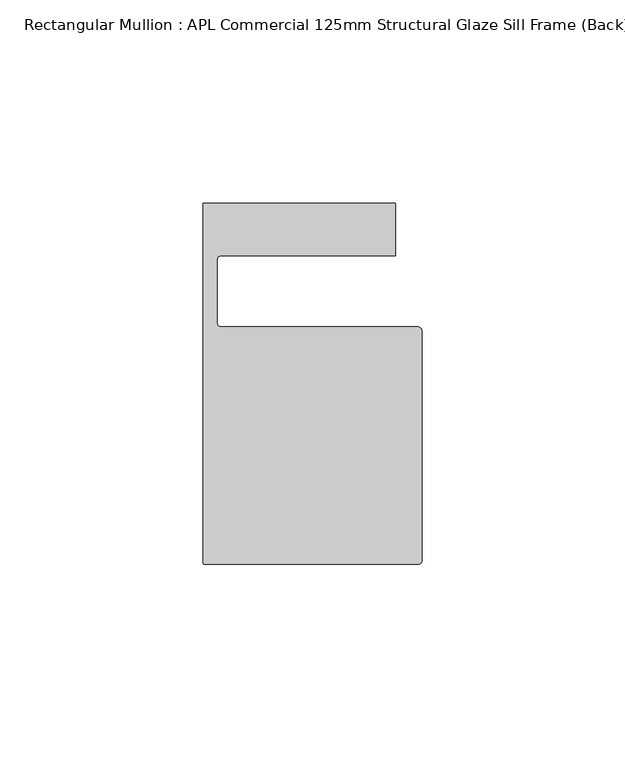
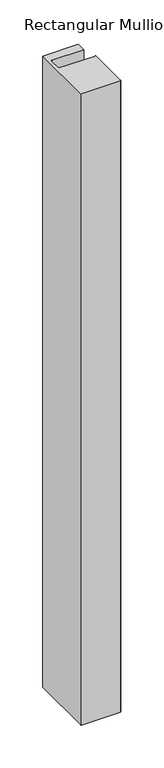
"""IFC4 building model written with IfcOpenShell, lengths in millimetres: member geometry, Rectangular Mullion : APL Commercial 125mm Structural Glaze Sill Frame (Back)."""

import ifcopenshell
import ifcopenshell.guid

model = None  # the IFC model being written
_history = None  # IfcOwnerHistory: only IFC2X3 demands one
_inside = {}  # id of a spatial element -> (the spatial element, [elements in it])
_under = {}  # id of a project, library or spatial element -> (it, [spatial elements below it])
_declared = {}  # id of a project -> (the project, [libraries it declares])
_typed = {}  # id of a type object -> (the type object, [elements of that type])
_made_of = {}  # id of a material, layer set ... -> (it, [elements and type objects made of it])


def new_model(schema):
    """Start an empty IFC model of exactly this schema.

    Asked for "IFC4X3", IfcOpenShell would pick the latest addendum, in which some entities
    have other attributes; the version numbers below select the first issue.
    IFC2X3 requires an IfcOwnerHistory on every rooted entity: one is made here for all.
    """
    global model, _history
    if schema == "IFC4X3":
        model = ifcopenshell.file(schema_version=(4, 3, 0, 0))
    else:
        model = ifcopenshell.file(schema=schema)
    _inside.clear()
    _under.clear()
    _declared.clear()
    _typed.clear()
    _made_of.clear()
    _history = None
    if model.schema == "IFC2X3":
        org = make("IfcOrganization", Name="unknown")
        user = make(
            "IfcPersonAndOrganization",
            ThePerson=make("IfcPerson", FamilyName="unknown"),
            TheOrganization=org,
        )
        app = make(
            "IfcApplication",
            ApplicationDeveloper=org,
            Version="unknown",
            ApplicationFullName="unknown",
            ApplicationIdentifier="unknown",
        )
        _history = make(
            "IfcOwnerHistory",
            OwningUser=user,
            OwningApplication=app,
            ChangeAction="ADDED",
            CreationDate=0,
        )
    return model


def make(cls, **values):
    """One entity of the class cls with the attributes given. An attribute that is None is left unset."""
    return model.create_entity(
        cls, **{name: value for name, value in values.items() if value is not None}
    )


def rooted(cls, **values):
    """An entity with a GlobalId (a new one), such as an element, a storey or a relation."""
    return make(cls, GlobalId=ifcopenshell.guid.new(), OwnerHistory=_history, **values)


def si_unit(unit_type, name, prefix=None):
    """IfcSIUnit, for example si_unit("LENGTHUNIT", "METRE", prefix="MILLI")."""
    return make("IfcSIUnit", UnitType=unit_type, Prefix=prefix, Name=name)


def assignment(units):
    """IfcUnitAssignment: the units of a project."""
    return None if units is None else make("IfcUnitAssignment", Units=units)


def point(xyz):
    """IfcCartesianPoint."""
    return None if xyz is None else make("IfcCartesianPoint", Coordinates=xyz)


def direction(xyz):
    """IfcDirection."""
    return None if xyz is None else make("IfcDirection", DirectionRatios=xyz)


def frame(location, z_axis=None, x_axis=None):
    """IfcAxis2Placement3D, a coordinate frame: its origin and axes. An axis left out is left unset."""
    return make(
        "IfcAxis2Placement3D",
        Location=point(location),
        Axis=direction(z_axis),
        RefDirection=direction(x_axis),
    )


def origin():
    """The frame at (0, 0, 0) with its axes left unset."""
    return frame((0.0, 0.0, 0.0))


def place(relative_to, where):
    """IfcLocalPlacement: puts the frame where relative to a parent placement (None: the world)."""
    return make(
        "IfcLocalPlacement", PlacementRelTo=relative_to, RelativePlacement=where
    )


def context(
    kind, dimensions, precision=None, world=None, true_north=None, identifier=None
):
    """IfcGeometricRepresentationContext, for example the 3D "Model" context."""
    return make(
        "IfcGeometricRepresentationContext",
        ContextIdentifier=identifier,
        ContextType=kind,
        CoordinateSpaceDimension=dimensions,
        Precision=precision,
        WorldCoordinateSystem=world,
        TrueNorth=true_north,
    )


def project(units=None, contexts=None):
    """IfcProject with its units and contexts."""
    return rooted(
        "IfcProject",
        Name="project",
        RepresentationContexts=contexts,
        UnitsInContext=assignment(units),
    )


def spatial(cls, under=None, at=None, **own):
    """A site, building, storey or space (cls), placed at a placement, below another one or the project."""
    s = rooted(cls, ObjectPlacement=at, **own)
    if under is not None:
        _under.setdefault(under.id(), (under, []))[1].append(s)
    return s


def polyline(points):
    """IfcPolyline through the points."""
    return make("IfcPolyline", Points=[point(p) for p in points])


def circle_curve(where, radius):
    """IfcCircle in the frame where."""
    return make("IfcCircle", Position=where, Radius=radius)


def shape(context_of_items, identifier, shape_type, items):
    """IfcShapeRepresentation: the items that make up one representation, for example the "Body"."""
    return make(
        "IfcShapeRepresentation",
        ContextOfItems=context_of_items,
        RepresentationIdentifier=identifier,
        RepresentationType=shape_type,
        Items=items,
    )


def source(mapping_origin, context_of_items, identifier, shape_type, items):
    """IfcRepresentationMap: a shape defined once, which mapped items show again and again."""
    return make(
        "IfcRepresentationMap",
        MappingOrigin=mapping_origin,
        MappedRepresentation=shape(context_of_items, identifier, shape_type, items),
    )


def transform(
    local_origin,
    x_axis=None,
    y_axis=None,
    z_axis=None,
    scale=None,
    scale2=None,
    scale3=None,
    uniform=True,
):
    """IfcCartesianTransformationOperator3D, or its non-uniform kind. x_axis, y_axis, z_axis: its Axis1, 2, 3."""
    if uniform:
        return make(
            "IfcCartesianTransformationOperator3D",
            Axis1=direction(x_axis),
            Axis2=direction(y_axis),
            LocalOrigin=point(local_origin),
            Scale=scale,
            Axis3=direction(z_axis),
        )
    return make(
        "IfcCartesianTransformationOperator3DnonUniform",
        Axis1=direction(x_axis),
        Axis2=direction(y_axis),
        LocalOrigin=point(local_origin),
        Scale=scale,
        Axis3=direction(z_axis),
        Scale2=scale2,
        Scale3=scale3,
    )


def mapped(mapping_source, mapping_target):
    """IfcMappedItem: shows the shape of a source again, moved by a transform."""
    return make(
        "IfcMappedItem", MappingSource=mapping_source, MappingTarget=mapping_target
    )


def made_of(thing, what):
    """Note that an element or type object is made of a material, layer set ...; save() writes the relation."""
    if what is not None:
        _made_of.setdefault(what.id(), (what, []))[1].append(thing)
    return thing


def element(
    cls,
    number,
    at=None,
    inside=None,
    cuts=None,
    type_object=None,
    material=None,
    context=None,
    identifier="Body",
    shape_type=None,
    held_by="IfcProductDefinitionShape",
    body=None,
    shapes=None,
    **own,
):
    """One element of the class cls, such as IfcWall. Its Tag is "e" and its number.

    at: its placement. inside: the storey or other place that contains it. cuts: it is an
    opening in that element (IfcRelVoidsElement). A single representation is given by context,
    identifier, shape_type and body (its items); several are given by shapes. held_by: the class
    of the entity that holds the representations. save() writes the other relations.
    """
    e = rooted(cls, Tag="e%d" % number, ObjectPlacement=at, **own)
    if body is not None:
        shapes = [shape(context, identifier, shape_type, body)]
    if shapes is not None:
        e.Representation = make(held_by, Representations=shapes)
    if inside is not None:
        _inside.setdefault(inside.id(), (inside, []))[1].append(e)
    if cuts is not None:
        rooted(
            "IfcRelVoidsElement", RelatingBuildingElement=cuts, RelatedOpeningElement=e
        )
    if type_object is not None:
        _typed.setdefault(type_object.id(), (type_object, []))[1].append(e)
    return made_of(e, material)


def aggregate(whole, parts):
    """IfcRelAggregates: a whole, such as a stair, and the parts it consists of."""
    return rooted("IfcRelAggregates", RelatingObject=whole, RelatedObjects=parts)


def save(model, path):
    """Write the relations noted so far, then the file.

    IfcRelAggregates (storeys below a building ...), IfcRelContainedInSpatialStructure (elements
    in a storey), IfcRelDefinesByType, IfcRelAssociatesMaterial and IfcRelDeclares: one each for
    every whole, place, type object, material and project.
    """
    for whole, parts in _under.values():
        aggregate(whole, parts)
    for where, things in _inside.values():
        rooted(
            "IfcRelContainedInSpatialStructure",
            RelatedElements=things,
            RelatingStructure=where,
        )
    for kind, things in _typed.values():
        rooted("IfcRelDefinesByType", RelatedObjects=things, RelatingType=kind)
    for what, things in _made_of.values():
        rooted("IfcRelAssociatesMaterial", RelatedObjects=things, RelatingMaterial=what)
    for by, libraries in _declared.values():
        rooted("IfcRelDeclares", RelatingContext=by, RelatedDefinitions=libraries)
    model.write(path)


def plane_surface(at):
    """IfcPlane: the flat surface through the origin of the frame at, square to its z axis."""
    return make("IfcPlane", Position=at)


def cylinder_surface(at, radius):
    """IfcCylindricalSurface: all points at the distance radius from the z axis of the frame at."""
    return make("IfcCylindricalSurface", Position=at, Radius=radius)


def revolved_surface(curve, axis_point, axis_direction):
    """IfcSurfaceOfRevolution: the curve turned about the line through axis_point along axis_direction."""
    return make(
        "IfcSurfaceOfRevolution",
        SweptCurve=make("IfcArbitraryOpenProfileDef", ProfileType="CURVE", Curve=curve),
        AxisPosition=make("IfcAxis1Placement", Location=point(axis_point), Axis=direction(axis_direction)),
    )


def advanced_brep(points, edges, surfaces, faces):
    """IfcAdvancedBrep: a solid bounded by faces that lie on surfaces and meet in shared edges.

    An edge is (start, end): straight between two places in points (the first is 0);
    or (start, end, curve); or (start, end, curve, False) where it runs against its curve.
    A face is (place in surfaces, loops), or (place, loops, False) where it looks against
    its surface's normal. A loop lists edges by number (the first is 1), with a minus sign
    where the edge is run from its end to its start. The first loop is the outer one.
    """
    corners = [point(p) for p in points]
    vertices = [make("IfcVertexPoint", VertexGeometry=c) for c in corners]
    made = []
    for start, end, *more in edges:
        made.append(
            make(
                "IfcEdgeCurve",
                EdgeStart=vertices[start],
                EdgeEnd=vertices[end],
                EdgeGeometry=more[0] if more else make("IfcPolyline", Points=[corners[start], corners[end]]),
                SameSense=more[1] if len(more) > 1 else True,
            )
        )
    hull = []
    for where, loops, *sense in faces:
        bounds = []
        for j, loop in enumerate(loops):
            ring = [make("IfcOrientedEdge", EdgeElement=made[abs(k) - 1], Orientation=k > 0) for k in loop]
            bounds.append(
                make(
                    "IfcFaceOuterBound" if j == 0 else "IfcFaceBound",
                    Bound=make("IfcEdgeLoop", EdgeList=ring),
                    Orientation=True,
                )
            )
        hull.append(make("IfcAdvancedFace", Bounds=bounds, FaceSurface=surfaces[where], SameSense=sense[0] if sense else True))
    return make("IfcAdvancedBrep", Outer=make("IfcClosedShell", CfsFaces=hull))


def rectangular_mullion_apl_commercial_125mm_structural_glaze_a1ca6727(model_context):
    return source(origin(), model_context, "Body", "AdvancedBrep", [
        advanced_brep(
        [(-53.5000029, -104.0, 0.0), (-1.0000025, -104.0, 0.0), (-2.5e-06, -103.0, 0.0), (0.0, -46.5010268, 0.0), (-1.0, -45.5010268, 0.0), (-49.5000004, -45.5010268, 0.0), (-50.5000004, -44.5010268, 0.0), (-50.5000029, -29.0004332, 0.0), (-49.5000029, -28.0004332, 0.0), (-6.5000029, -28.0004332, 0.0), (-6.5000029, -15.0004332, 0.0), (-54.0000029, -15.0004332, 0.0), (-54.0000029, -103.5, 0.0), (-53.5000029, -104.0, -900.2963173), (-54.0000029, -103.5, -900.2963173), (-54.0000029, -15.0004332, -900.2963173), (-6.5000029, -15.0004332, -900.2963173), (-6.5000029, -28.0004332, -900.2963173), (-49.5000029, -28.0004332, -900.2963173), (-50.5000029, -29.0004332, -900.2963173), (-50.5000029, -44.5010268, -900.2963173), (-49.5000004, -45.5010268, -900.2963173), (-1.0, -45.5010268, -900.2963173), (0.0, -46.5010268, -900.2963173), (0.0, -103.0, -900.2963173), (-1.0000025, -104.0, -900.2963173)],
        [
            (0, 1),
            (1, 2, circle_curve(frame((-1.0000025, -103.0, 0.0), z_axis=(0.0, 0.0, 1.0), x_axis=(0.9999999999996143, -8.78371761103865e-07, 0.0)), 1.0)),
            (2, 3),
            (3, 4, circle_curve(frame((-1.0, -46.5010268, 0.0), z_axis=(0.0, 0.0, 1.0), x_axis=(0.0, 1.0, 0.0)), 1.0)),
            (4, 5),
            (5, 6, circle_curve(frame((-49.5000004, -44.5010268, 0.0), z_axis=(0.0, 0.0, -1.0), x_axis=(-0.9999999999998819, -4.863123717036027e-07, 0.0)), 1.0)),
            (6, 7),
            (7, 8, circle_curve(frame((-49.5000029, -29.0004332, 0.0), z_axis=(0.0, 0.0, -1.0), x_axis=(0.0, 1.0, 0.0)), 1.0)),
            (8, 9),
            (9, 10),
            (10, 11),
            (11, 12),
            (12, 0, circle_curve(frame((-53.5000029, -103.5, 0.0), z_axis=(0.0, 0.0, 1.0), x_axis=(0.0, -1.0, 0.0)), 0.5)),
            (13, 14, circle_curve(frame((-53.5000029, -103.5, -900.2963173), z_axis=(0.0, 0.0, -1.0), x_axis=(0.0, -1.0, 0.0)), 0.5)),
            (14, 15),
            (15, 16),
            (16, 17),
            (17, 18),
            (18, 19, circle_curve(frame((-49.5000029, -29.0004332, -900.2963173), z_axis=(0.0, 0.0, 1.0), x_axis=(0.0, 1.0, 0.0)), 1.0)),
            (19, 20),
            (20, 21, circle_curve(frame((-49.5000004, -44.5010268, -900.2963173), z_axis=(0.0, 0.0, 1.0), x_axis=(-0.9999999999998819, -4.863123717036027e-07, 0.0)), 1.0)),
            (21, 22),
            (22, 23, circle_curve(frame((-1.0, -46.5010268, -900.2963173), z_axis=(0.0, 0.0, -1.0), x_axis=(0.0, 1.0, 0.0)), 1.0)),
            (23, 24),
            (24, 25, circle_curve(frame((-1.0000025, -103.0, -900.2963173), z_axis=(0.0, 0.0, -1.0), x_axis=(0.9999999999996143, -8.78371761103865e-07, 0.0)), 1.0)),
            (25, 13),
            (0, 13),
            (25, 1),
            (24, 2),
            (23, 3),
            (22, 4),
            (21, 5),
            (20, 6),
            (19, 7),
            (18, 8),
            (17, 9),
            (16, 10),
            (15, 11),
            (14, 12),
        ],
        [
            plane_surface(frame((0.0, -116.986179, 0.0), z_axis=(0.0, 0.0, 1.0), x_axis=(-1.0, 0.0, 0.0))),
            plane_surface(frame((0.0, -116.986179, -900.2963173), z_axis=(0.0, 0.0, -1.0), x_axis=(-1.0, 0.0, 0.0))),
            plane_surface(frame((-53.5000029, -104.0, 0.0), z_axis=(0.0, -1.0, 0.0), x_axis=(0.0, 0.0, -1.0))),
            cylinder_surface(frame((-1.0000025, -103.0, 0.0), z_axis=(0.0, 0.0, 1.0000000000000002), x_axis=(0.9999999999996143, -8.78371761103865e-07, 0.0)), 1.0),
            plane_surface(frame((0.0, -103.0, 0.0), z_axis=(1.0, 0.0, 0.0), x_axis=(0.0, 0.0, -1.0))),
            cylinder_surface(frame((-1.0, -46.5010268, 0.0), z_axis=(0.0, 0.0, 1.0), x_axis=(0.0, 1.0, 0.0)), 1.0),
            plane_surface(frame((-1.0, -45.5010268, 0.0), z_axis=(0.0, 1.0, 0.0), x_axis=(0.0, 0.0, -1.0))),
            revolved_surface(polyline([(-50.50000039999988, -44.50102728631237, -900.2963173000005), (-50.50000039999988, -44.50102728631237, 0.0)]), (-49.5000004, -44.5010268, 0.0), (0.0, 0.0, -1.0000000000000002)),
            plane_surface(frame((-50.5000029, -44.5010268, 0.0), z_axis=(1.0, 0.0, 0.0), x_axis=(0.0, 0.0, -1.0))),
            revolved_surface(polyline([(-49.5000029, -28.0004332, -900.2963173), (-49.5000029, -28.0004332, 0.0)]), (-49.5000029, -29.0004332, 0.0), (0.0, 0.0, -1.0)),
            plane_surface(frame((-49.5000029, -28.0004332, 0.0), z_axis=(0.0, -1.0, 0.0), x_axis=(0.0, 0.0, -1.0))),
            plane_surface(frame((-6.5000029, -28.0004332, 0.0), z_axis=(1.0, 0.0, 0.0), x_axis=(0.0, 0.0, -1.0))),
            plane_surface(frame((-6.5000029, -15.0004332, 0.0), z_axis=(0.0, 1.0, 0.0), x_axis=(0.0, 0.0, -1.0))),
            plane_surface(frame((-54.0000029, -15.0004332, 0.0), z_axis=(-1.0, 0.0, 0.0), x_axis=(0.0, 0.0, -1.0))),
            cylinder_surface(frame((-53.5000029, -103.5, 0.0), z_axis=(0.0, 0.0, 1.0), x_axis=(0.0, -1.0, 0.0)), 0.5),
        ],
        [
            (0, [[1, 2, 3, 4, 5, 6, 7, 8, 9, 10, 11, 12, 13]]),
            (1, [[14, 15, 16, 17, 18, 19, 20, 21, 22, 23, 24, 25, 26]]),
            (2, [[-1, 27, -26, 28]]),
            (3, [[-2, -28, -25, 29]]),
            (4, [[-3, -29, -24, 30]]),
            (5, [[-4, -30, -23, 31]]),
            (6, [[-5, -31, -22, 32]]),
            (7, [[-6, -32, -21, 33]]),
            (8, [[-7, -33, -20, 34]]),
            (9, [[-8, -34, -19, 35]]),
            (10, [[-9, -35, -18, 36]]),
            (11, [[-10, -36, -17, 37]]),
            (12, [[-11, -37, -16, 38]]),
            (13, [[-12, -38, -15, 39]]),
            (14, [[-13, -39, -14, -27]]),
        ],
    ),
    ])


if __name__ == "__main__":
    model = new_model("IFC4")
    model_context = context("Model", 3, world=origin())
    ifc_project = project(units=[si_unit("LENGTHUNIT", "METRE", prefix="MILLI")], contexts=[model_context])
    site = spatial("IfcSite", under=ifc_project)
    building = spatial("IfcBuilding", under=site)
    placement = place(None, origin())
    rectangular_mullion_apl_commercial_125mm_structural_glaze_shape = rectangular_mullion_apl_commercial_125mm_structural_glaze_a1ca6727(model_context)
    element("IfcMember", 1, ObjectType="Rectangular Mullion : APL Commercial 125mm Structural Glaze Sill Frame (Back)", at=placement, inside=building, context=model_context, shape_type="MappedRepresentation", body=[
        mapped(rectangular_mullion_apl_commercial_125mm_structural_glaze_shape, transform((0.0, 0.0, 0.0), x_axis=(1.0, 0.0, 0.0), y_axis=(0.0, 1.0, 0.0), z_axis=(0.0, 0.0, 1.0))),
    ])
    save(model, "model.ifc")
